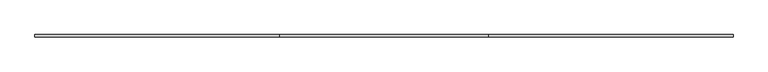
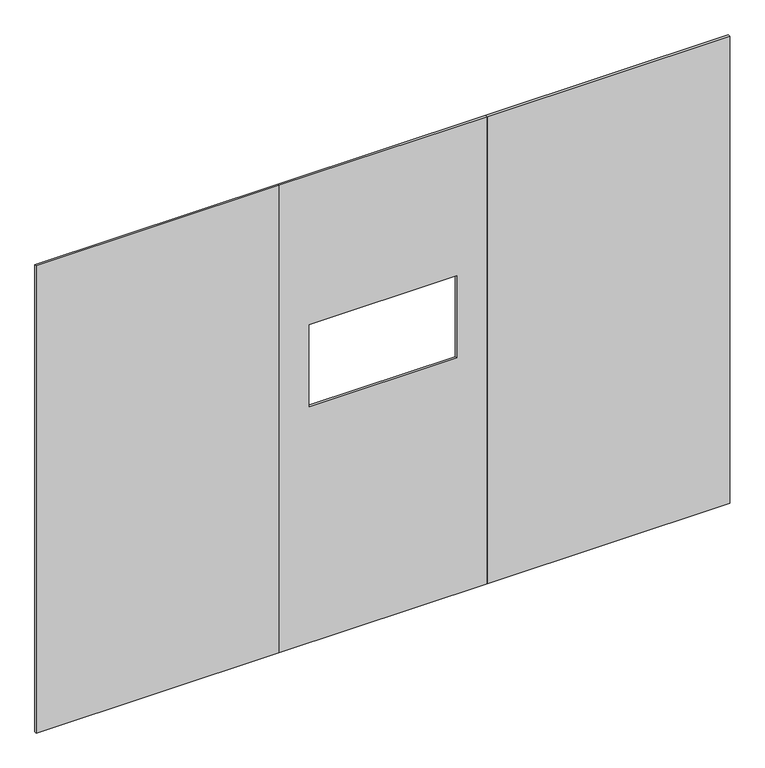
"""IFC4 building model written with IfcOpenShell, lengths in millimetres: furniture geometry."""

import ifcopenshell
import ifcopenshell.guid

model = None  # the IFC model being written
_history = None  # IfcOwnerHistory: only IFC2X3 demands one
_inside = {}  # id of a spatial element -> (the spatial element, [elements in it])
_under = {}  # id of a project, library or spatial element -> (it, [spatial elements below it])
_declared = {}  # id of a project -> (the project, [libraries it declares])
_typed = {}  # id of a type object -> (the type object, [elements of that type])
_made_of = {}  # id of a material, layer set ... -> (it, [elements and type objects made of it])


def new_model(schema):
    """Start an empty IFC model of exactly this schema.

    Asked for "IFC4X3", IfcOpenShell would pick the latest addendum, in which some entities
    have other attributes; the version numbers below select the first issue.
    IFC2X3 requires an IfcOwnerHistory on every rooted entity: one is made here for all.
    """
    global model, _history
    if schema == "IFC4X3":
        model = ifcopenshell.file(schema_version=(4, 3, 0, 0))
    else:
        model = ifcopenshell.file(schema=schema)
    _inside.clear()
    _under.clear()
    _declared.clear()
    _typed.clear()
    _made_of.clear()
    _history = None
    if model.schema == "IFC2X3":
        org = make("IfcOrganization", Name="unknown")
        user = make(
            "IfcPersonAndOrganization",
            ThePerson=make("IfcPerson", FamilyName="unknown"),
            TheOrganization=org,
        )
        app = make(
            "IfcApplication",
            ApplicationDeveloper=org,
            Version="unknown",
            ApplicationFullName="unknown",
            ApplicationIdentifier="unknown",
        )
        _history = make(
            "IfcOwnerHistory",
            OwningUser=user,
            OwningApplication=app,
            ChangeAction="ADDED",
            CreationDate=0,
        )
    return model


def make(cls, **values):
    """One entity of the class cls with the attributes given. An attribute that is None is left unset."""
    return model.create_entity(
        cls, **{name: value for name, value in values.items() if value is not None}
    )


def rooted(cls, **values):
    """An entity with a GlobalId (a new one), such as an element, a storey or a relation."""
    return make(cls, GlobalId=ifcopenshell.guid.new(), OwnerHistory=_history, **values)


def si_unit(unit_type, name, prefix=None):
    """IfcSIUnit, for example si_unit("LENGTHUNIT", "METRE", prefix="MILLI")."""
    return make("IfcSIUnit", UnitType=unit_type, Prefix=prefix, Name=name)


def assignment(units):
    """IfcUnitAssignment: the units of a project."""
    return None if units is None else make("IfcUnitAssignment", Units=units)


def point(xyz):
    """IfcCartesianPoint."""
    return None if xyz is None else make("IfcCartesianPoint", Coordinates=xyz)


def direction(xyz):
    """IfcDirection."""
    return None if xyz is None else make("IfcDirection", DirectionRatios=xyz)


def frame(location, z_axis=None, x_axis=None):
    """IfcAxis2Placement3D, a coordinate frame: its origin and axes. An axis left out is left unset."""
    return make(
        "IfcAxis2Placement3D",
        Location=point(location),
        Axis=direction(z_axis),
        RefDirection=direction(x_axis),
    )


def origin():
    """The frame at (0, 0, 0) with its axes left unset."""
    return frame((0.0, 0.0, 0.0))


def place(relative_to, where):
    """IfcLocalPlacement: puts the frame where relative to a parent placement (None: the world)."""
    return make(
        "IfcLocalPlacement", PlacementRelTo=relative_to, RelativePlacement=where
    )


def context(
    kind, dimensions, precision=None, world=None, true_north=None, identifier=None
):
    """IfcGeometricRepresentationContext, for example the 3D "Model" context."""
    return make(
        "IfcGeometricRepresentationContext",
        ContextIdentifier=identifier,
        ContextType=kind,
        CoordinateSpaceDimension=dimensions,
        Precision=precision,
        WorldCoordinateSystem=world,
        TrueNorth=true_north,
    )


def project(units=None, contexts=None):
    """IfcProject with its units and contexts."""
    return rooted(
        "IfcProject",
        Name="project",
        RepresentationContexts=contexts,
        UnitsInContext=assignment(units),
    )


def spatial(cls, under=None, at=None, **own):
    """A site, building, storey or space (cls), placed at a placement, below another one or the project."""
    s = rooted(cls, ObjectPlacement=at, **own)
    if under is not None:
        _under.setdefault(under.id(), (under, []))[1].append(s)
    return s


def polyline(points):
    """IfcPolyline through the points."""
    return make("IfcPolyline", Points=[point(p) for p in points])


def outline(outer, holes=None, kind="AREA"):
    """IfcArbitraryClosedProfileDef: a profile drawn as a closed curve; with holes, ...WithVoids."""
    if holes is None:
        return make("IfcArbitraryClosedProfileDef", ProfileType=kind, OuterCurve=outer)
    return make(
        "IfcArbitraryProfileDefWithVoids",
        ProfileType=kind,
        OuterCurve=outer,
        InnerCurves=holes,
    )


def extrude(swept, where, along, depth):
    """IfcExtrudedAreaSolid: the profile swept, set in the frame where, extruded along a direction by depth."""
    return make(
        "IfcExtrudedAreaSolid",
        SweptArea=swept,
        Position=where,
        ExtrudedDirection=direction(along),
        Depth=depth,
    )


def shape(context_of_items, identifier, shape_type, items):
    """IfcShapeRepresentation: the items that make up one representation, for example the "Body"."""
    return make(
        "IfcShapeRepresentation",
        ContextOfItems=context_of_items,
        RepresentationIdentifier=identifier,
        RepresentationType=shape_type,
        Items=items,
    )


def source(mapping_origin, context_of_items, identifier, shape_type, items):
    """IfcRepresentationMap: a shape defined once, which mapped items show again and again."""
    return make(
        "IfcRepresentationMap",
        MappingOrigin=mapping_origin,
        MappedRepresentation=shape(context_of_items, identifier, shape_type, items),
    )


def transform(
    local_origin,
    x_axis=None,
    y_axis=None,
    z_axis=None,
    scale=None,
    scale2=None,
    scale3=None,
    uniform=True,
):
    """IfcCartesianTransformationOperator3D, or its non-uniform kind. x_axis, y_axis, z_axis: its Axis1, 2, 3."""
    if uniform:
        return make(
            "IfcCartesianTransformationOperator3D",
            Axis1=direction(x_axis),
            Axis2=direction(y_axis),
            LocalOrigin=point(local_origin),
            Scale=scale,
            Axis3=direction(z_axis),
        )
    return make(
        "IfcCartesianTransformationOperator3DnonUniform",
        Axis1=direction(x_axis),
        Axis2=direction(y_axis),
        LocalOrigin=point(local_origin),
        Scale=scale,
        Axis3=direction(z_axis),
        Scale2=scale2,
        Scale3=scale3,
    )


def mapped(mapping_source, mapping_target):
    """IfcMappedItem: shows the shape of a source again, moved by a transform."""
    return make(
        "IfcMappedItem", MappingSource=mapping_source, MappingTarget=mapping_target
    )


def made_of(thing, what):
    """Note that an element or type object is made of a material, layer set ...; save() writes the relation."""
    if what is not None:
        _made_of.setdefault(what.id(), (what, []))[1].append(thing)
    return thing


def element(
    cls,
    number,
    at=None,
    inside=None,
    cuts=None,
    type_object=None,
    material=None,
    context=None,
    identifier="Body",
    shape_type=None,
    held_by="IfcProductDefinitionShape",
    body=None,
    shapes=None,
    **own,
):
    """One element of the class cls, such as IfcWall. Its Tag is "e" and its number.

    at: its placement. inside: the storey or other place that contains it. cuts: it is an
    opening in that element (IfcRelVoidsElement). A single representation is given by context,
    identifier, shape_type and body (its items); several are given by shapes. held_by: the class
    of the entity that holds the representations. save() writes the other relations.
    """
    e = rooted(cls, Tag="e%d" % number, ObjectPlacement=at, **own)
    if body is not None:
        shapes = [shape(context, identifier, shape_type, body)]
    if shapes is not None:
        e.Representation = make(held_by, Representations=shapes)
    if inside is not None:
        _inside.setdefault(inside.id(), (inside, []))[1].append(e)
    if cuts is not None:
        rooted(
            "IfcRelVoidsElement", RelatingBuildingElement=cuts, RelatedOpeningElement=e
        )
    if type_object is not None:
        _typed.setdefault(type_object.id(), (type_object, []))[1].append(e)
    return made_of(e, material)


def aggregate(whole, parts):
    """IfcRelAggregates: a whole, such as a stair, and the parts it consists of."""
    return rooted("IfcRelAggregates", RelatingObject=whole, RelatedObjects=parts)


def save(model, path):
    """Write the relations noted so far, then the file.

    IfcRelAggregates (storeys below a building ...), IfcRelContainedInSpatialStructure (elements
    in a storey), IfcRelDefinesByType, IfcRelAssociatesMaterial and IfcRelDeclares: one each for
    every whole, place, type object, material and project.
    """
    for whole, parts in _under.values():
        aggregate(whole, parts)
    for where, things in _inside.values():
        rooted(
            "IfcRelContainedInSpatialStructure",
            RelatedElements=things,
            RelatingStructure=where,
        )
    for kind, things in _typed.values():
        rooted("IfcRelDefinesByType", RelatedObjects=things, RelatingType=kind)
    for what, things in _made_of.values():
        rooted("IfcRelAssociatesMaterial", RelatedObjects=things, RelatingMaterial=what)
    for by, libraries in _declared.values():
        rooted("IfcRelDeclares", RelatingContext=by, RelatedDefinitions=libraries)
    model.write(path)


def furniture_a594e231(model_context):
    return source(origin(), model_context, "Body", "SweptSolid", [
        extrude(outline(polyline([(1068.07, -4.7752), (0.0, -4.7752), (0.0, 4.7498), (1068.07, 4.7498), (1068.07, -4.7752)])), frame((0.0, 0.0, 12.7), z_axis=(0.0, 0.0, 1.0), x_axis=(1.0, 0.0, 0.0)), (0.0, 0.0, 1.0), 2173.6010468),
        extrude(outline(polyline([(3051.81, -4.7752), (1983.74, -4.7752), (1983.74, 4.7498), (3051.81, 4.7498), (3051.81, -4.7752)])), frame((0.0, 0.0, 12.7), z_axis=(0.0, 0.0, 1.0), x_axis=(1.0, 0.0, 0.0)), (0.0, 0.0, 1.0), 2173.6010468),
        extrude(outline(polyline([(12.7, 1068.07), (12.7, 1983.74), (2186.3010468, 1983.74), (2186.3010468, 1068.07), (12.7, 1068.07)]), holes=[polyline([(1491.9706, 1202.055), (1491.9706, 1849.755), (1110.9706, 1849.755), (1110.9706, 1202.055), (1491.9706, 1202.055)])]), frame((0.0, -4.7752, 0.0), z_axis=(0.0, 1.0, 0.0), x_axis=(0.0, 0.0, 1.0)), (0.0, 0.0, 1.0), 9.525),
    ])


if __name__ == "__main__":
    model = new_model("IFC4")
    model_context = context("Model", 3, world=origin())
    ifc_project = project(units=[si_unit("LENGTHUNIT", "METRE", prefix="MILLI")], contexts=[model_context])
    site = spatial("IfcSite", under=ifc_project)
    building = spatial("IfcBuilding", under=site)
    placement = place(None, origin())
    furniture_shape = furniture_a594e231(model_context)
    element("IfcFurniture", 1, at=placement, inside=building, context=model_context, shape_type="MappedRepresentation", body=[
        mapped(furniture_shape, transform((0.0, 0.0, 0.0), x_axis=(1.0, 0.0, 0.0), y_axis=(0.0, 1.0, 0.0), z_axis=(0.0, 0.0, 1.0))),
    ])
    save(model, "model.ifc")
